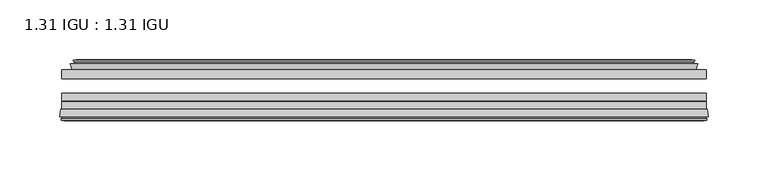
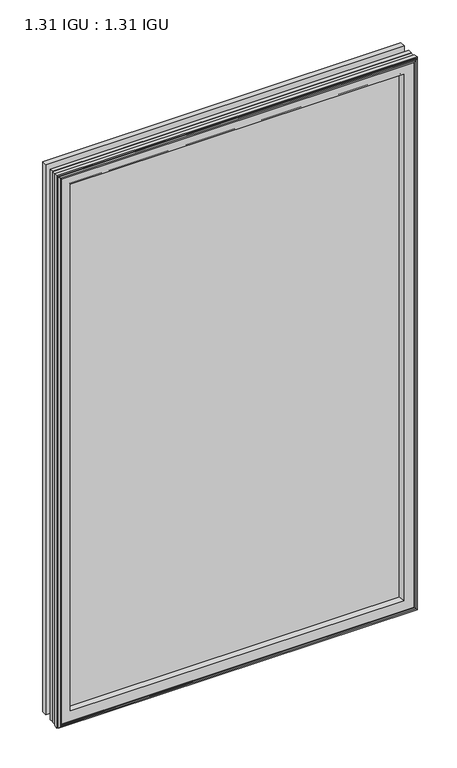
"""IFC4 building model written with IfcOpenShell, lengths in millimetres: plate geometry, 1.31 IGU : 1.31 IGU."""

import ifcopenshell
import ifcopenshell.guid

model = None  # the IFC model being written
_history = None  # IfcOwnerHistory: only IFC2X3 demands one
_inside = {}  # id of a spatial element -> (the spatial element, [elements in it])
_under = {}  # id of a project, library or spatial element -> (it, [spatial elements below it])
_declared = {}  # id of a project -> (the project, [libraries it declares])
_typed = {}  # id of a type object -> (the type object, [elements of that type])
_made_of = {}  # id of a material, layer set ... -> (it, [elements and type objects made of it])


def new_model(schema):
    """Start an empty IFC model of exactly this schema.

    Asked for "IFC4X3", IfcOpenShell would pick the latest addendum, in which some entities
    have other attributes; the version numbers below select the first issue.
    IFC2X3 requires an IfcOwnerHistory on every rooted entity: one is made here for all.
    """
    global model, _history
    if schema == "IFC4X3":
        model = ifcopenshell.file(schema_version=(4, 3, 0, 0))
    else:
        model = ifcopenshell.file(schema=schema)
    _inside.clear()
    _under.clear()
    _declared.clear()
    _typed.clear()
    _made_of.clear()
    _history = None
    if model.schema == "IFC2X3":
        org = make("IfcOrganization", Name="unknown")
        user = make(
            "IfcPersonAndOrganization",
            ThePerson=make("IfcPerson", FamilyName="unknown"),
            TheOrganization=org,
        )
        app = make(
            "IfcApplication",
            ApplicationDeveloper=org,
            Version="unknown",
            ApplicationFullName="unknown",
            ApplicationIdentifier="unknown",
        )
        _history = make(
            "IfcOwnerHistory",
            OwningUser=user,
            OwningApplication=app,
            ChangeAction="ADDED",
            CreationDate=0,
        )
    return model


def make(cls, **values):
    """One entity of the class cls with the attributes given. An attribute that is None is left unset."""
    return model.create_entity(
        cls, **{name: value for name, value in values.items() if value is not None}
    )


def rooted(cls, **values):
    """An entity with a GlobalId (a new one), such as an element, a storey or a relation."""
    return make(cls, GlobalId=ifcopenshell.guid.new(), OwnerHistory=_history, **values)


def si_unit(unit_type, name, prefix=None):
    """IfcSIUnit, for example si_unit("LENGTHUNIT", "METRE", prefix="MILLI")."""
    return make("IfcSIUnit", UnitType=unit_type, Prefix=prefix, Name=name)


def assignment(units):
    """IfcUnitAssignment: the units of a project."""
    return None if units is None else make("IfcUnitAssignment", Units=units)


def point(xyz):
    """IfcCartesianPoint."""
    return None if xyz is None else make("IfcCartesianPoint", Coordinates=xyz)


def direction(xyz):
    """IfcDirection."""
    return None if xyz is None else make("IfcDirection", DirectionRatios=xyz)


def frame(location, z_axis=None, x_axis=None):
    """IfcAxis2Placement3D, a coordinate frame: its origin and axes. An axis left out is left unset."""
    return make(
        "IfcAxis2Placement3D",
        Location=point(location),
        Axis=direction(z_axis),
        RefDirection=direction(x_axis),
    )


def origin():
    """The frame at (0, 0, 0) with its axes left unset."""
    return frame((0.0, 0.0, 0.0))


def place(relative_to, where):
    """IfcLocalPlacement: puts the frame where relative to a parent placement (None: the world)."""
    return make(
        "IfcLocalPlacement", PlacementRelTo=relative_to, RelativePlacement=where
    )


def context(
    kind, dimensions, precision=None, world=None, true_north=None, identifier=None
):
    """IfcGeometricRepresentationContext, for example the 3D "Model" context."""
    return make(
        "IfcGeometricRepresentationContext",
        ContextIdentifier=identifier,
        ContextType=kind,
        CoordinateSpaceDimension=dimensions,
        Precision=precision,
        WorldCoordinateSystem=world,
        TrueNorth=true_north,
    )


def project(units=None, contexts=None):
    """IfcProject with its units and contexts."""
    return rooted(
        "IfcProject",
        Name="project",
        RepresentationContexts=contexts,
        UnitsInContext=assignment(units),
    )


def spatial(cls, under=None, at=None, **own):
    """A site, building, storey or space (cls), placed at a placement, below another one or the project."""
    s = rooted(cls, ObjectPlacement=at, **own)
    if under is not None:
        _under.setdefault(under.id(), (under, []))[1].append(s)
    return s


def polyline(points):
    """IfcPolyline through the points."""
    return make("IfcPolyline", Points=[point(p) for p in points])


def ellipse_curve(where, semi_axis1, semi_axis2):
    """IfcEllipse in the frame where."""
    return make(
        "IfcEllipse", Position=where, SemiAxis1=semi_axis1, SemiAxis2=semi_axis2
    )


def outline(outer, holes=None, kind="AREA"):
    """IfcArbitraryClosedProfileDef: a profile drawn as a closed curve; with holes, ...WithVoids."""
    if holes is None:
        return make("IfcArbitraryClosedProfileDef", ProfileType=kind, OuterCurve=outer)
    return make(
        "IfcArbitraryProfileDefWithVoids",
        ProfileType=kind,
        OuterCurve=outer,
        InnerCurves=holes,
    )


def extrude(swept, where, along, depth):
    """IfcExtrudedAreaSolid: the profile swept, set in the frame where, extruded along a direction by depth."""
    return make(
        "IfcExtrudedAreaSolid",
        SweptArea=swept,
        Position=where,
        ExtrudedDirection=direction(along),
        Depth=depth,
    )


def faces_of(points, faces, orient=None, outer=None):
    """IfcFace entities. A face is a list of loops; a loop is a list of indices into points, from 0.

    orient and outer hold one flag for each loop. By default every Orientation is true, the
    first loop of a face is its IfcFaceOuterBound and the others are IfcFaceBound.
    """
    made = []
    for i, loops in enumerate(faces):
        bounds = []
        for j, loop in enumerate(loops):
            is_outer = j == 0 if outer is None else outer[i][j]
            bounds.append(
                make(
                    "IfcFaceOuterBound" if is_outer else "IfcFaceBound",
                    Bound=make("IfcPolyLoop", Polygon=[points[k] for k in loop]),
                    Orientation=True if orient is None else orient[i][j],
                )
            )
        made.append(make("IfcFace", Bounds=bounds))
    return made


def faceted_brep(points, faces, orient=None, outer=None, voids=None):
    """IfcFacetedBrep: a solid bounded by flat faces; with voids (closed shells), ...WithVoids."""
    shared = [point(p) for p in points]
    hull = make("IfcClosedShell", CfsFaces=faces_of(shared, faces, orient, outer))
    if voids is None:
        return make("IfcFacetedBrep", Outer=hull)
    return make(
        "IfcFacetedBrepWithVoids",
        Outer=hull,
        Voids=[
            make(cls, CfsFaces=faces_of(shared, fs, o, b)) for cls, fs, o, b in voids
        ],
    )


def shape(context_of_items, identifier, shape_type, items):
    """IfcShapeRepresentation: the items that make up one representation, for example the "Body"."""
    return make(
        "IfcShapeRepresentation",
        ContextOfItems=context_of_items,
        RepresentationIdentifier=identifier,
        RepresentationType=shape_type,
        Items=items,
    )


def source(mapping_origin, context_of_items, identifier, shape_type, items):
    """IfcRepresentationMap: a shape defined once, which mapped items show again and again."""
    return make(
        "IfcRepresentationMap",
        MappingOrigin=mapping_origin,
        MappedRepresentation=shape(context_of_items, identifier, shape_type, items),
    )


def transform(
    local_origin,
    x_axis=None,
    y_axis=None,
    z_axis=None,
    scale=None,
    scale2=None,
    scale3=None,
    uniform=True,
):
    """IfcCartesianTransformationOperator3D, or its non-uniform kind. x_axis, y_axis, z_axis: its Axis1, 2, 3."""
    if uniform:
        return make(
            "IfcCartesianTransformationOperator3D",
            Axis1=direction(x_axis),
            Axis2=direction(y_axis),
            LocalOrigin=point(local_origin),
            Scale=scale,
            Axis3=direction(z_axis),
        )
    return make(
        "IfcCartesianTransformationOperator3DnonUniform",
        Axis1=direction(x_axis),
        Axis2=direction(y_axis),
        LocalOrigin=point(local_origin),
        Scale=scale,
        Axis3=direction(z_axis),
        Scale2=scale2,
        Scale3=scale3,
    )


def mapped(mapping_source, mapping_target):
    """IfcMappedItem: shows the shape of a source again, moved by a transform."""
    return make(
        "IfcMappedItem", MappingSource=mapping_source, MappingTarget=mapping_target
    )


def made_of(thing, what):
    """Note that an element or type object is made of a material, layer set ...; save() writes the relation."""
    if what is not None:
        _made_of.setdefault(what.id(), (what, []))[1].append(thing)
    return thing


def element(
    cls,
    number,
    at=None,
    inside=None,
    cuts=None,
    type_object=None,
    material=None,
    context=None,
    identifier="Body",
    shape_type=None,
    held_by="IfcProductDefinitionShape",
    body=None,
    shapes=None,
    **own,
):
    """One element of the class cls, such as IfcWall. Its Tag is "e" and its number.

    at: its placement. inside: the storey or other place that contains it. cuts: it is an
    opening in that element (IfcRelVoidsElement). A single representation is given by context,
    identifier, shape_type and body (its items); several are given by shapes. held_by: the class
    of the entity that holds the representations. save() writes the other relations.
    """
    e = rooted(cls, Tag="e%d" % number, ObjectPlacement=at, **own)
    if body is not None:
        shapes = [shape(context, identifier, shape_type, body)]
    if shapes is not None:
        e.Representation = make(held_by, Representations=shapes)
    if inside is not None:
        _inside.setdefault(inside.id(), (inside, []))[1].append(e)
    if cuts is not None:
        rooted(
            "IfcRelVoidsElement", RelatingBuildingElement=cuts, RelatedOpeningElement=e
        )
    if type_object is not None:
        _typed.setdefault(type_object.id(), (type_object, []))[1].append(e)
    return made_of(e, material)


def aggregate(whole, parts):
    """IfcRelAggregates: a whole, such as a stair, and the parts it consists of."""
    return rooted("IfcRelAggregates", RelatingObject=whole, RelatedObjects=parts)


def save(model, path):
    """Write the relations noted so far, then the file.

    IfcRelAggregates (storeys below a building ...), IfcRelContainedInSpatialStructure (elements
    in a storey), IfcRelDefinesByType, IfcRelAssociatesMaterial and IfcRelDeclares: one each for
    every whole, place, type object, material and project.
    """
    for whole, parts in _under.values():
        aggregate(whole, parts)
    for where, things in _inside.values():
        rooted(
            "IfcRelContainedInSpatialStructure",
            RelatedElements=things,
            RelatingStructure=where,
        )
    for kind, things in _typed.values():
        rooted("IfcRelDefinesByType", RelatedObjects=things, RelatingType=kind)
    for what, things in _made_of.values():
        rooted("IfcRelAssociatesMaterial", RelatedObjects=things, RelatingMaterial=what)
    for by, libraries in _declared.values():
        rooted("IfcRelDeclares", RelatingContext=by, RelatedDefinitions=libraries)
    model.write(path)


def plane_surface(at):
    """IfcPlane: the flat surface through the origin of the frame at, square to its z axis."""
    return make("IfcPlane", Position=at)


def revolved_surface(curve, axis_point, axis_direction):
    """IfcSurfaceOfRevolution: the curve turned about the line through axis_point along axis_direction."""
    return make(
        "IfcSurfaceOfRevolution",
        SweptCurve=make("IfcArbitraryOpenProfileDef", ProfileType="CURVE", Curve=curve),
        AxisPosition=make("IfcAxis1Placement", Location=point(axis_point), Axis=direction(axis_direction)),
    )


def advanced_brep(points, edges, surfaces, faces):
    """IfcAdvancedBrep: a solid bounded by faces that lie on surfaces and meet in shared edges.

    An edge is (start, end): straight between two places in points (the first is 0);
    or (start, end, curve); or (start, end, curve, False) where it runs against its curve.
    A face is (place in surfaces, loops), or (place, loops, False) where it looks against
    its surface's normal. A loop lists edges by number (the first is 1), with a minus sign
    where the edge is run from its end to its start. The first loop is the outer one.
    """
    corners = [point(p) for p in points]
    vertices = [make("IfcVertexPoint", VertexGeometry=c) for c in corners]
    made = []
    for start, end, *more in edges:
        made.append(
            make(
                "IfcEdgeCurve",
                EdgeStart=vertices[start],
                EdgeEnd=vertices[end],
                EdgeGeometry=more[0] if more else make("IfcPolyline", Points=[corners[start], corners[end]]),
                SameSense=more[1] if len(more) > 1 else True,
            )
        )
    hull = []
    for where, loops, *sense in faces:
        bounds = []
        for j, loop in enumerate(loops):
            ring = [make("IfcOrientedEdge", EdgeElement=made[abs(k) - 1], Orientation=k > 0) for k in loop]
            bounds.append(
                make(
                    "IfcFaceOuterBound" if j == 0 else "IfcFaceBound",
                    Bound=make("IfcEdgeLoop", EdgeList=ring),
                    Orientation=True,
                )
            )
        hull.append(make("IfcAdvancedFace", Bounds=bounds, FaceSurface=surfaces[where], SameSense=sense[0] if sense else True))
    return make("IfcAdvancedBrep", Outer=make("IfcClosedShell", CfsFaces=hull))


def plate_1_31_igu_1_31_igu_9709ce9c(model_context):
    return source(origin(), model_context, "Body", "SolidModel", [
        extrude(outline(polyline([(269.875, -17.9712937), (269.875, -25.8960937), (-269.875, -25.8960937), (-269.875, -17.9712937), (269.875, -17.9712937)])), frame((0.0, 0.0, -19.05), z_axis=(0.0, 0.0, 1.0), x_axis=(1.0, 0.0, 0.0)), (0.0, 0.0, 1.0), 876.3),
        extrude(outline(polyline([(-269.875, -51.2960937), (-269.875, -44.9460937), (269.875, -44.9460937), (269.875, -51.2960937), (-269.875, -51.2960937)])), frame((0.0, 0.0, -19.05), z_axis=(0.0, 0.0, 1.0), x_axis=(1.0, 0.0, 0.0)), (0.0, 0.0, 1.0), 876.3),
        extrude(outline(polyline([(-269.875, -44.1586938), (-269.875, -37.8086938), (269.875, -37.8086938), (269.875, -44.1586938), (-269.875, -44.1586938)])), frame((0.0, 0.0, -19.05), z_axis=(0.0, 0.0, 1.0), x_axis=(1.0, 0.0, 0.0)), (0.0, 0.0, 1.0), 876.3),
        faceted_brep([(-260.9564005, -17.9712937, 848.3314005), (-262.6006337, -13.1960937, 849.9756337), (-262.6006337, -13.1960937, -11.7756337), (-260.9564005, -17.9712937, -10.1314005), (-251.3457, -13.1960937, 838.7207), (-250.1762695, -17.9712937, 837.5512695), (-250.1762695, -17.9712937, 0.6487305), (-251.3457, -13.1960937, -0.5207), (-256.9104203, -10.902778, 844.2854203), (-256.2959281, -13.1960937, 843.6709281), (-256.2959281, -13.1960937, -5.4709281), (-256.9104203, -10.902778, -6.0854203), (-255.5181709, -11.27583, 842.8931709), (-255.5181709, -11.27583, -4.6931709), (-255.2868537, -10.4125422, 842.6618537), (-255.2868537, -10.4125422, -4.4618537), (-257.6957, -9.7670937, 845.0707), (-257.6957, -9.7670937, -6.8707), (-260.1045463, -10.4125422, 847.4795463), (-260.1045463, -10.4125422, -9.2795463), (-259.8732291, -11.27583, 847.2482291), (-259.8732291, -11.27583, -9.0482291), (-258.4864014, -10.9042307, 845.8614014), (-258.4864014, -10.9042307, -7.6614014), (-259.2310729, -13.1960937, 846.6060729), (-259.2310729, -13.1960937, -8.4060729), (262.6006337, -13.1960937, -11.7756337), (260.9564005, -17.9712937, -10.1314005), (250.1762695, -17.9712937, 0.6487305), (251.3457, -13.1960937, -0.5207), (256.2959281, -13.1960937, -5.4709281), (256.9104203, -10.902778, -6.0854203), (255.5181709, -11.27583, -4.6931709), (255.2868537, -10.4125422, -4.4618537), (257.6957, -9.7670937, -6.8707), (260.1045463, -10.4125422, -9.2795463), (259.8732291, -11.27583, -9.0482291), (258.4864014, -10.9042307, -7.6614014), (259.2310729, -13.1960937, -8.4060729), (262.6006337, -13.1960937, 849.9756337), (260.9564005, -17.9712937, 848.3314005), (250.1762695, -17.9712937, 837.5512695), (251.3457, -13.1960937, 838.7207), (256.2959281, -13.1960937, 843.6709281), (256.9104203, -10.902778, 844.2854203), (255.5181709, -11.27583, 842.8931709), (255.2868537, -10.4125422, 842.6618537), (257.6957, -9.7670937, 845.0707), (260.1045463, -10.4125422, 847.4795463), (259.8732291, -11.27583, 847.2482291), (258.4864014, -10.9042307, 845.8614014), (259.2310729, -13.1960937, 846.6060729)], [[[0, 1, 2, 3]], [[4, 5, 6, 7]], [[8, 9, 10, 11]], [[12, 8, 11, 13]], [[14, 12, 13, 15]], [[16, 14, 15, 17]], [[18, 16, 17, 19]], [[20, 18, 19, 21]], [[22, 20, 21, 23]], [[24, 22, 23, 25]], [[3, 2, 26, 27]], [[7, 6, 28, 29]], [[11, 10, 30, 31]], [[13, 11, 31, 32]], [[15, 13, 32, 33]], [[17, 15, 33, 34]], [[19, 17, 34, 35]], [[21, 19, 35, 36]], [[23, 21, 36, 37]], [[25, 23, 37, 38]], [[27, 26, 39, 40]], [[29, 28, 41, 42]], [[31, 30, 43, 44]], [[32, 31, 44, 45]], [[33, 32, 45, 46]], [[34, 33, 46, 47]], [[35, 34, 47, 48]], [[36, 35, 48, 49]], [[37, 36, 49, 50]], [[38, 37, 50, 51]], [[40, 39, 1, 0]], [[3, 27, 40, 0], [5, 41, 28, 6]], [[42, 41, 5, 4]], [[9, 43, 30, 10], [7, 29, 42, 4]], [[44, 43, 9, 8]], [[45, 44, 8, 12]], [[46, 45, 12, 14]], [[47, 46, 14, 16]], [[48, 47, 16, 18]], [[49, 48, 18, 20]], [[50, 49, 20, 22]], [[51, 50, 22, 24]], [[1, 39, 26, 2], [25, 38, 51, 24]]]),
        advanced_brep(
        [(-247.1876851, -51.2960937, 834.5626851), (-250.825, -57.6460937, 838.2), (-250.825, -57.6460937, 0.0), (-247.1876851, -51.2960937, 3.6373149), (-271.4707783, -57.6460937, 858.8457783), (-270.6910964, -51.2960937, 858.0660964), (-270.6910964, -51.2960937, -19.8660964), (-271.4707783, -57.6460937, -20.6457783), (-269.0707744, -59.6558685, 856.4457744), (-269.5298013, -57.6460937, 856.9048013), (-269.5298013, -57.6460937, -18.7048013), (-269.0707744, -59.6558685, -18.2457744), (-270.0544588, -59.3738016, 857.4294588), (-270.0544588, -59.3738016, -19.2294588), (-270.3079433, -60.2578071, 857.6829433), (-270.3079433, -60.2578071, -19.4829433), (-268.2849998, -60.8378768, 855.6599998), (-268.2849998, -60.8378768, -17.4599998), (-266.2413389, -60.2902795, 853.6163389), (-266.2413389, -60.2902795, -15.4163389), (-266.4862083, -59.3764147, 853.8612083), (-266.4862083, -59.3764147, -15.6612083), (-267.5088421, -59.6504286, 854.8838421), (-267.5088421, -59.6504286, -16.6838421), (-267.0461049, -57.6460937, 854.4211049), (-267.0461049, -57.6460937, -16.2211049), (250.825, -57.6460938, 0.0), (247.1876851, -51.2960937, 3.6373149), (270.6910964, -51.2960937, -19.8660964), (271.4707783, -57.6460938, -20.6457783), (269.5298013, -57.6460938, -18.7048013), (269.0707744, -59.6558685, -18.2457744), (270.0544588, -59.3738016, -19.2294588), (270.3079433, -60.2578071, -19.4829433), (268.2849998, -60.8378768, -17.4599998), (266.2413389, -60.2902795, -15.4163389), (266.4862083, -59.3764147, -15.6612083), (267.5088421, -59.6504286, -16.6838421), (267.0461049, -57.6460938, -16.2211049), (250.825, -57.6460938, 838.2), (247.1876851, -51.2960937, 834.5626851), (270.6910964, -51.2960937, 858.0660964), (271.4707783, -57.6460938, 858.8457783), (269.5298013, -57.6460938, 856.9048013), (269.0707744, -59.6558685, 856.4457744), (270.0544588, -59.3738016, 857.4294588), (270.3079433, -60.2578071, 857.6829433), (268.2849998, -60.8378768, 855.6599998), (266.2413389, -60.2902795, 853.6163389), (266.4862083, -59.3764147, 853.8612083), (267.5088421, -59.6504286, 854.8838421), (267.0461049, -57.6460938, 854.4211049)],
        [
            (0, 1, ellipse_curve(frame((-242.394055, -58.2586484, 829.769055), z_axis=(0.7071067811865475, 0.0, 0.7071067811865475), x_axis=(0.7071067811865474, 0.0, -0.7071067811865476)), 11.9545855, 8.4531685)),
            (1, 2),
            (2, 3, ellipse_curve(frame((-242.394055, -58.2586484, 8.430945), z_axis=(0.7071067811865475, 0.0, -0.7071067811865475), x_axis=(-0.7071067811865474, 0.0, -0.7071067811865476)), 11.9545855, 8.4531685)),
            (3, 0),
            (4, 5),
            (5, 6),
            (6, 7),
            (7, 4),
            (8, 9),
            (9, 10),
            (10, 11),
            (11, 8),
            (12, 8),
            (11, 13),
            (13, 12),
            (14, 12),
            (13, 15),
            (15, 14),
            (16, 14),
            (15, 17),
            (17, 16),
            (18, 16),
            (17, 19),
            (19, 18),
            (20, 18),
            (19, 21),
            (21, 20),
            (22, 20),
            (21, 23),
            (23, 22),
            (24, 22),
            (23, 25),
            (25, 24),
            (2, 26),
            (26, 27, ellipse_curve(frame((242.394055, -58.2586484, 8.430945), z_axis=(0.7071067811865475, 0.0, 0.7071067811865475), x_axis=(0.7071067811865476, 0.0, -0.7071067811865474)), 11.9545855, 8.4531685)),
            (27, 3),
            (6, 28),
            (28, 29),
            (29, 7),
            (10, 30),
            (30, 31),
            (31, 11),
            (31, 32),
            (32, 13),
            (32, 33),
            (33, 15),
            (33, 34),
            (34, 17),
            (34, 35),
            (35, 19),
            (35, 36),
            (36, 21),
            (36, 37),
            (37, 23),
            (37, 38),
            (38, 25),
            (26, 39),
            (39, 40, ellipse_curve(frame((242.394055, -58.2586484, 829.769055), z_axis=(-0.7071067811865475, 0.0, 0.7071067811865475), x_axis=(0.7071067811865474, 0.0, 0.7071067811865476)), 11.9545855, 8.4531685)),
            (40, 27),
            (28, 41),
            (41, 42),
            (42, 29),
            (30, 43),
            (43, 44),
            (44, 31),
            (44, 45),
            (45, 32),
            (45, 46),
            (46, 33),
            (46, 47),
            (47, 34),
            (47, 48),
            (48, 35),
            (48, 49),
            (49, 36),
            (49, 50),
            (50, 37),
            (50, 51),
            (51, 38),
            (51, 24),
            (1, 39),
            (0, 40),
            (5, 41),
            (4, 42),
            (9, 43),
            (8, 44),
            (12, 45),
            (14, 46),
            (16, 47),
            (18, 48),
            (20, 49),
            (22, 50),
        ],
        [
            revolved_surface(polyline([(-250.8472235, -58.2586484, -0.02222347332440222), (-250.8472235, -58.2586484, 838.2222234733243)]), (-242.394055, -58.2586484, 869.95), (0.0, 0.0, -1.0)),
            plane_surface(frame((-270.6910964, -51.2960937, 858.0660964), z_axis=(-0.9925461516413234, 0.12186934340513636, 0.0), x_axis=(0.0, 0.0, -1.0))),
            plane_surface(frame((-269.5298013, -57.6460937, 856.9048013), z_axis=(-0.9748953990049445, -0.22266333555165796, 0.0), x_axis=(0.0, 0.0, -1.0))),
            plane_surface(frame((-269.0707744, -59.6558685, 856.4457744), z_axis=(0.27563735581726606, 0.9612616959382424, 0.0), x_axis=(0.0, 0.0, -1.0))),
            plane_surface(frame((-270.0544588, -59.3738016, 857.4294588), z_axis=(-0.9612616959382463, 0.2756373558172523, 0.0), x_axis=(0.0, 0.0, -1.0))),
            plane_surface(frame((-270.3079433, -60.2578071, 857.6829433), z_axis=(-0.2756373558170135, -0.9612616959383148, 0.0), x_axis=(0.0, 0.0, -1.0))),
            plane_surface(frame((-268.2849998, -60.8378768, 855.6599998), z_axis=(0.25881904510226056, -0.965925826289138, 0.0), x_axis=(0.0, 0.0, -1.0))),
            plane_surface(frame((-266.2413389, -60.2902795, 853.6163389), z_axis=(0.9659258262891444, 0.25881904510223736, 0.0), x_axis=(0.0, 0.0, -1.0))),
            plane_surface(frame((-266.4862083, -59.3764147, 853.8612083), z_axis=(-0.2588190451025015, 0.9659258262890735, 0.0), x_axis=(0.0, 0.0, -1.0))),
            plane_surface(frame((-267.5088421, -59.6504286, 854.8838421), z_axis=(0.9743700647852117, -0.22495105434396695, 0.0), x_axis=(0.0, 0.0, -1.0))),
            revolved_surface(polyline([(250.8472234733244, -58.2586484, -0.02222350000000084), (-250.8472234733244, -58.2586484, -0.02222350000000084)]), (-282.575, -58.2586484, 8.430945), (1.0, 0.0, 0.0)),
            plane_surface(frame((-270.6910964, -51.2960937, -19.8660964), z_axis=(0.0, 0.12186934340513315, -0.9925461516413239), x_axis=(1.0, 0.0, 0.0))),
            plane_surface(frame((-269.5298013, -57.6460937, -18.7048013), z_axis=(0.0, -0.22266333555166112, -0.9748953990049438), x_axis=(1.0, 0.0, 0.0))),
            plane_surface(frame((-269.0707744, -59.6558685, -18.2457744), z_axis=(0.0, 0.9612616959382433, 0.27563735581726295), x_axis=(1.0, 0.0, 0.0))),
            plane_surface(frame((-270.0544588, -59.3738016, -19.2294588), z_axis=(0.0, 0.2756373558172492, -0.9612616959382472), x_axis=(1.0, 0.0, 0.0))),
            plane_surface(frame((-270.3079433, -60.2578071, -19.4829433), z_axis=(0.0, -0.9612616959383157, -0.2756373558170104), x_axis=(1.0, 0.0, 0.0))),
            plane_surface(frame((-268.2849998, -60.8378768, -17.4599998), z_axis=(0.0, -0.9659258262891373, 0.2588190451022637), x_axis=(1.0, 0.0, 0.0))),
            plane_surface(frame((-266.2413389, -60.2902795, -15.4163389), z_axis=(0.0, 0.25881904510224046, 0.9659258262891435), x_axis=(1.0, 0.0, 0.0))),
            plane_surface(frame((-266.4862083, -59.3764147, -15.6612083), z_axis=(0.0, 0.9659258262890726, -0.2588190451025046), x_axis=(1.0, 0.0, 0.0))),
            plane_surface(frame((-267.5088421, -59.6504286, -16.6838421), z_axis=(0.0, -0.22495105434396379, 0.9743700647852125), x_axis=(1.0, 0.0, 0.0))),
            revolved_surface(polyline([(250.8472235, -58.2586484, 838.2222234733243), (250.8472235, -58.2586484, -0.022223473324370246)]), (242.394055, -58.2586484, -31.75), (0.0, 0.0, 1.0)),
            plane_surface(frame((270.6910964, -51.2960937, -19.8660964), z_axis=(0.9925461516413243, 0.12186934340512995, 0.0), x_axis=(0.0, 0.0, 1.0))),
            plane_surface(frame((269.5298013, -57.6460938, -18.7048013), z_axis=(0.9748953990049432, -0.2226633355516643, 0.0), x_axis=(0.0, 0.0, 1.0))),
            plane_surface(frame((269.0707744, -59.6558685, -18.2457744), z_axis=(-0.27563735581725984, 0.9612616959382442, 0.0), x_axis=(0.0, 0.0, 1.0))),
            plane_surface(frame((270.0544588, -59.3738016, -19.2294588), z_axis=(0.9612616959382481, 0.2756373558172461, 0.0), x_axis=(0.0, 0.0, 1.0))),
            plane_surface(frame((270.3079433, -60.2578071, -19.4829433), z_axis=(0.27563735581700727, -0.9612616959383166, 0.0), x_axis=(0.0, 0.0, 1.0))),
            plane_surface(frame((268.2849998, -60.8378768, -17.4599998), z_axis=(-0.25881904510226683, -0.9659258262891364, 0.0), x_axis=(0.0, 0.0, 1.0))),
            plane_surface(frame((266.2413389, -60.2902795, -15.4163389), z_axis=(-0.9659258262891426, 0.2588190451022436, 0.0), x_axis=(0.0, 0.0, 1.0))),
            plane_surface(frame((266.4862083, -59.3764147, -15.6612083), z_axis=(0.2588190451025077, 0.9659258262890718, 0.0), x_axis=(0.0, 0.0, 1.0))),
            plane_surface(frame((267.5088421, -59.6504286, -16.6838421), z_axis=(-0.9743700647852133, -0.22495105434396062, 0.0), x_axis=(0.0, 0.0, 1.0))),
            plane_surface(frame((267.0461049, -57.6460938, 854.4211049), z_axis=(0.0, -1.0, 0.0), x_axis=(-1.0, 0.0, 0.0))),
            revolved_surface(polyline([(-250.8472234733244, -58.2586484, 838.2222234999999), (250.8472234733244, -58.2586484, 838.2222234999999)]), (282.575, -58.2586484, 829.769055), (-1.0, 0.0, 0.0)),
            plane_surface(frame((247.1876851, -51.2960937, 834.5626851), z_axis=(0.0, 1.0, 0.0), x_axis=(-1.0, 0.0, 0.0))),
            plane_surface(frame((270.6910964, -51.2960937, 858.0660964), z_axis=(0.0, 0.12186934340513315, 0.9925461516413239), x_axis=(-1.0, 0.0, 0.0))),
            plane_surface(frame((271.4707783, -57.6460938, 858.8457783), z_axis=(0.0, -1.0, 0.0), x_axis=(-1.0, 0.0, 0.0))),
            plane_surface(frame((269.5298013, -57.6460938, 856.9048013), z_axis=(0.0, -0.22266333555166112, 0.9748953990049438), x_axis=(-1.0, 0.0, 0.0))),
            plane_surface(frame((269.0707744, -59.6558685, 856.4457744), z_axis=(0.0, 0.9612616959382433, -0.27563735581726295), x_axis=(-1.0, 0.0, 0.0))),
            plane_surface(frame((270.0544588, -59.3738016, 857.4294588), z_axis=(0.0, 0.2756373558172492, 0.9612616959382472), x_axis=(-1.0, 0.0, 0.0))),
            plane_surface(frame((270.3079433, -60.2578071, 857.6829433), z_axis=(0.0, -0.9612616959383157, 0.2756373558170104), x_axis=(-1.0, 0.0, 0.0))),
            plane_surface(frame((268.2849998, -60.8378768, 855.6599998), z_axis=(0.0, -0.9659258262891373, -0.2588190451022637), x_axis=(-1.0, 0.0, 0.0))),
            plane_surface(frame((266.2413389, -60.2902795, 853.6163389), z_axis=(0.0, 0.25881904510224046, -0.9659258262891435), x_axis=(-1.0, 0.0, 0.0))),
            plane_surface(frame((266.4862083, -59.3764147, 853.8612083), z_axis=(0.0, 0.9659258262890726, 0.2588190451025046), x_axis=(-1.0, 0.0, 0.0))),
            plane_surface(frame((267.5088421, -59.6504286, 854.8838421), z_axis=(0.0, -0.22495105434396379, -0.9743700647852125), x_axis=(-1.0, 0.0, 0.0))),
        ],
        [
            (0, [[1, 2, 3, 4]]),
            (1, [[5, 6, 7, 8]]),
            (2, [[9, 10, 11, 12]]),
            (3, [[13, -12, 14, 15]]),
            (4, [[16, -15, 17, 18]]),
            (5, [[19, -18, 20, 21]]),
            (6, [[22, -21, 23, 24]]),
            (7, [[25, -24, 26, 27]]),
            (8, [[28, -27, 29, 30]]),
            (9, [[31, -30, 32, 33]]),
            (10, [[-3, 34, 35, 36]]),
            (11, [[-7, 37, 38, 39]]),
            (12, [[-11, 40, 41, 42]]),
            (13, [[-14, -42, 43, 44]]),
            (14, [[-17, -44, 45, 46]]),
            (15, [[-20, -46, 47, 48]]),
            (16, [[-23, -48, 49, 50]]),
            (17, [[-26, -50, 51, 52]]),
            (18, [[-29, -52, 53, 54]]),
            (19, [[-32, -54, 55, 56]]),
            (20, [[-35, 57, 58, 59]]),
            (21, [[-38, 60, 61, 62]]),
            (22, [[-41, 63, 64, 65]]),
            (23, [[-43, -65, 66, 67]]),
            (24, [[-45, -67, 68, 69]]),
            (25, [[-47, -69, 70, 71]]),
            (26, [[-49, -71, 72, 73]]),
            (27, [[-51, -73, 74, 75]]),
            (28, [[-53, -75, 76, 77]]),
            (29, [[-55, -77, 78, 79]]),
            (30, [[-56, -79, 80, -33], [81, -57, -34, -2]]),
            (31, [[-58, -81, -1, 82]]),
            (32, [[83, -60, -37, -6], [-36, -59, -82, -4]]),
            (33, [[-61, -83, -5, 84]]),
            (34, [[-39, -62, -84, -8], [85, -63, -40, -10]]),
            (35, [[-64, -85, -9, 86]]),
            (36, [[-66, -86, -13, 87]]),
            (37, [[-68, -87, -16, 88]]),
            (38, [[-70, -88, -19, 89]]),
            (39, [[-72, -89, -22, 90]]),
            (40, [[-74, -90, -25, 91]]),
            (41, [[-76, -91, -28, 92]]),
            (42, [[-78, -92, -31, -80]]),
        ],
    ),
    ])


if __name__ == "__main__":
    model = new_model("IFC4")
    model_context = context("Model", 3, world=origin())
    ifc_project = project(units=[si_unit("LENGTHUNIT", "METRE", prefix="MILLI")], contexts=[model_context])
    site = spatial("IfcSite", under=ifc_project)
    building = spatial("IfcBuilding", under=site)
    placement = place(None, origin())
    plate_1_31_igu_1_31_igu_shape = plate_1_31_igu_1_31_igu_9709ce9c(model_context)
    element("IfcPlate", 1, ObjectType="1.31 IGU : 1.31 IGU", at=placement, inside=building, context=model_context, shape_type="MappedRepresentation", body=[
        mapped(plate_1_31_igu_1_31_igu_shape, transform((0.0, 0.0, 0.0), x_axis=(1.0, 0.0, 0.0), y_axis=(0.0, 1.0, 0.0), z_axis=(0.0, 0.0, 1.0))),
    ])
    save(model, "model.ifc")
